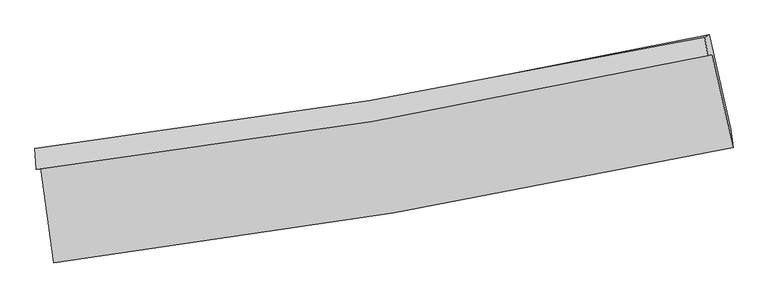
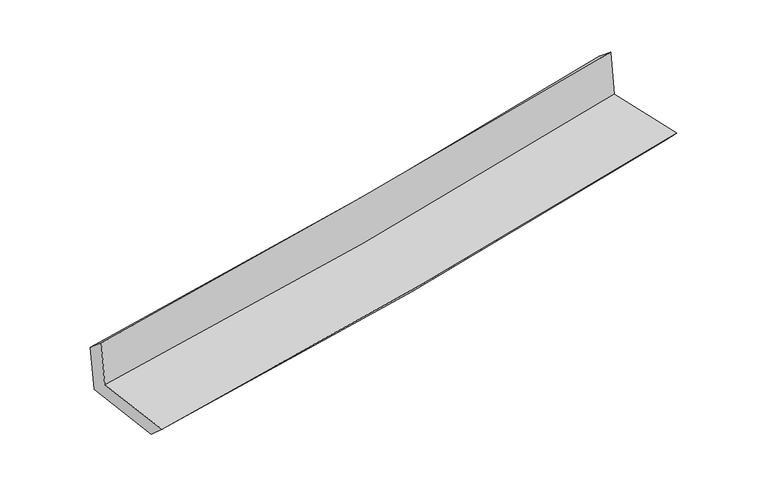
"""IFC4 building model written with IfcOpenShell, lengths in millimetres: proxy geometry."""

from ifc_helpers import new_model, si_unit, frame, origin, place, context, project, spatial, source, transform, mapped, element, save
from ifc_brep_helpers import plane_surface, spline_curve, spline_surface, advanced_brep


def generic_models_481b166b(model_context):
    return source(origin(), model_context, "Body", "AdvancedBrep", [
        advanced_brep(
        [(-2381.0771553, -1877.0789189, 1681.8300625), (-2291.2685429, -2542.4868127, 1663.9978355), (2467.8138655, -1730.5734521, 2112.4529283), (2322.4803052, -1080.0114496, 2115.1810525), (-2413.9461802, -1886.0428512, 2068.4038599), (2289.6195544, -1088.9731254, 2501.6575378), (-2422.2513044, -1739.3060334, 1941.8092456), (2270.0469304, -957.086418, 2392.5577009), (-2388.8622772, -1739.4132381, 1562.9866455), (2301.6660973, -941.6274164, 2003.7813704), (-2298.4175277, -2402.1239466, 1533.8742157), (2451.0413828, -1601.785213, 1979.9697914)],
        [
            (0, 1),
            (1, 2, spline_curve(3, [(-2291.2685429, -2542.4868127, 1663.9978355), (-1494.878836744, -2442.847946183, 1746.470558045), (-701.373620523, -2325.646295002, 1824.969649508), (885.024935161, -2055.238374446, 1974.506688394), (1677.880521705, -1901.80223865, 2045.492627914), (2467.8138655, -1730.5734521, 2112.4529283)], [4, 2, 4], [0.0, 7.88289728333393, 15.81721355547456])),
            (2, 3),
            (3, 0, spline_curve(3, [(2322.4803052, -1080.0114496, 2115.1810525), (1542.260650982, -1253.322465482, 2047.308875427), (758.903331536, -1406.551117157, 1977.135351704), (-808.989691142, -1671.980825985, 1832.655290052), (-1593.484858946, -1784.441330901, 1758.378483983), (-2381.0771553, -1877.0789189, 1681.8300625)], [4, 2, 4], [0.0, 7.934316272140629, 15.81721355547456])),
            (4, 0),
            (3, 5),
            (5, 4, spline_curve(3, [(2289.6195544, -1088.9731254, 2501.6575378), (1507.96549868, -1262.675326546, 2450.655407079), (723.892616245, -1416.09912398, 2388.89764776), (-843.993877675, -1681.527052748, 2244.34080141), (-1627.776240262, -1793.793163734, 2161.680668102), (-2413.9461802, -1886.0428512, 2068.4038599)], [4, 2, 4], [0.0, 7.886882874234125, 15.722654155695736])),
            (6, 4),
            (5, 7),
            (7, 6, spline_curve(3, [(2270.0469304, -957.086418, 2392.5577009), (1490.94122132, -1123.476086617, 2317.97429258), (709.083443119, -1272.009935609, 2242.996831714), (-855.051522908, -1532.519125277, 2092.742255577), (-1637.293156321, -1644.725147995, 2017.470231642), (-2422.2513044, -1739.3060334, 1941.8092456)], [4, 2, 4], [0.0, 7.876666632260544, 15.702287878944464])),
            (8, 6),
            (7, 9),
            (9, 8, spline_curve(3, [(2301.6660973, -941.6274164, 2003.7813704), (1524.612157141, -1115.768646395, 1924.100608365), (743.925377178, -1269.471308079, 1847.417635087), (-819.631014212, -1535.135866208, 1700.524789207), (-1602.45369246, -1647.361811655, 1630.276187307), (-2388.8622772, -1739.4132381, 1562.9866455)], [4, 2, 4], [0.0, 7.8666446575126905, 15.682308877679922])),
            (10, 8),
            (9, 11),
            (11, 10, spline_curve(3, [(2451.0413828, -1601.785213, 1979.9697914), (1663.042200985, -1767.537396322, 1899.652056439), (871.957732145, -1917.273298478, 1822.207018019), (-711.235097161, -2183.845959327, 1673.545605575), (-1503.303598639, -2300.889634952, 1602.292118928), (-2298.4175277, -2402.1239466, 1533.8742157)], [4, 2, 4], [0.0, 7.914734595676745, 15.77817710321074])),
            (1, 10),
            (11, 2),
        ],
        [
            spline_surface(3, 3, [[(-2381.0771553, -1877.0789189, 1681.8300625), (-1593.484858825, -1784.441330946, 1758.37848389), (-808.989691218, -1671.980826088, 1832.655290146), (758.903331613, -1406.551117052, 1977.135351609), (1542.260650874, -1253.322465497, 2047.308875387), (2322.4803052, -1080.0114496, 2115.1810525)], [(-2351.140951162, -2098.881550175, 1675.885986836), (-1560.61618479, -2003.910202727, 1754.409175308), (-773.117667679, -1889.869315761, 1830.09340994), (800.943866119, -1622.780202847, 1976.259130522), (1587.467274536, -1469.482389918, 2046.703459568), (2370.924825314, -1296.865450429, 2114.271677769)], [(-2321.204747038, -2320.684181425, 1669.941911164), (-1527.74751077, -2223.379074484, 1750.439866719), (-737.245644087, -2107.757805386, 1827.531529748), (842.98440068, -1839.009288594, 1975.382909448), (1632.673898156, -1685.642314353, 2046.098043743), (2419.369345386, -1513.719451271, 2113.362303031)], [(-2291.2685429, -2542.4868127, 1663.9978355), (-1494.878836735, -2442.847946265, 1746.470558137), (-701.373620548, -2325.646295059, 1824.969649542), (885.024935187, -2055.238374389, 1974.506688361), (1677.880521818, -1901.802238774, 2045.492627924), (2467.8138655, -1730.5734521, 2112.4529283)]], [4, 4], [4, 2, 4], [0.0, 2.1705886311231533], [0.0, 7.88289728333393, 15.81721355547456]),
            spline_surface(3, 3, [[(-2413.9461802, -1886.0428512, 2068.4038599), (-1627.776240239, -1793.793163633, 2161.680667976), (-843.993877753, -1681.527052632, 2244.340801399), (723.892616324, -1416.099124097, 2388.897647771), (1507.965498735, -1262.675326509, 2450.655407012), (2289.6195544, -1088.9731254, 2501.6575378)], [(-2402.989838563, -1883.054873768, 1939.54592743), (-1616.345779764, -1790.675886072, 2027.24660661), (-832.325815565, -1678.344977114, 2107.112297644), (735.562854763, -1412.916455078, 2251.643549047), (1519.397216115, -1259.557706169, 2316.206563132), (2300.573138001, -1085.985900131, 2372.832042695)], [(-2392.033496937, -1880.066896332, 1810.68799497), (-1604.9153193, -1787.558608507, 1892.812545255), (-820.657753406, -1675.162901607, 1969.8837939), (747.233093173, -1409.733786071, 2114.389450333), (1530.828933494, -1256.440085837, 2181.757719267), (2311.526721599, -1082.998674869, 2244.006547605)], [(-2381.0771553, -1877.0789189, 1681.8300625), (-1593.484858825, -1784.441330946, 1758.37848389), (-808.989691218, -1671.980826088, 1832.655290146), (758.903331613, -1406.551117052, 1977.135351609), (1542.260650874, -1253.322465497, 2047.308875387), (2322.4803052, -1080.0114496, 2115.1810525)]], [4, 4], [4, 2, 4], [0.0, 1.3560359742885961], [0.0, 7.835771281461611, 15.722654155695736]),
            spline_surface(3, 3, [[(-2422.2513044, -1739.3060334, 1941.8092456), (-1637.293156332, -1644.725147928, 2017.470231562), (-855.051522916, -1532.519125179, 2092.742255681), (709.083443127, -1272.009935709, 2242.996831608), (1490.941221303, -1123.476086607, 2317.974292598), (2270.0469304, -957.086418, 2392.5577009)], [(-2419.482929664, -1788.218306015, 1984.007450375), (-1634.120850965, -1694.414486511, 2065.540377042), (-851.365641195, -1582.18843432, 2143.275104244), (714.019834193, -1320.039665162, 2291.630436986), (1496.615980429, -1169.875833225, 2362.201330734), (2276.571138383, -1001.048653783, 2428.924313198)], [(-2416.714554936, -1837.130578585, 2026.205655125), (-1630.948545606, -1744.10382505, 2113.610522496), (-847.679759475, -1631.857743491, 2193.807952836), (718.956225258, -1368.069394643, 2340.264042393), (1502.290739608, -1216.275579892, 2406.428368876), (2283.095346417, -1045.010889617, 2465.290925502)], [(-2413.9461802, -1886.0428512, 2068.4038599), (-1627.776240239, -1793.793163633, 2161.680667976), (-843.993877753, -1681.527052632, 2244.340801399), (723.892616324, -1416.099124097, 2388.897647771), (1507.965498735, -1262.675326509, 2450.655407012), (2289.6195544, -1088.9731254, 2501.6575378)]], [4, 4], [4, 2, 4], [0.0, 0.6863170501779321], [0.0, 7.82562124668392, 15.702287878944464]),
            spline_surface(3, 3, [[(-2388.8622772, -1739.4132381, 1562.9866455), (-1602.453692524, -1647.361811655, 1630.27618738), (-819.631014229, -1535.135866124, 1700.524789137), (743.925377195, -1269.471308164, 1847.417635158), (1524.612157074, -1115.768646447, 1924.100608394), (2301.6660973, -941.6274164, 2003.7813704)], [(-2399.991952943, -1739.377503196, 1689.260845524), (-1614.066847136, -1646.482923742, 1759.340868765), (-831.437850461, -1534.263619146, 1831.263944662), (732.311399169, -1270.31751735, 1979.277367318), (1513.388511816, -1118.33779318, 2055.391836462), (2291.126374999, -946.780416946, 2133.373480567)], [(-2411.121628657, -1739.341768304, 1815.535045576), (-1625.680001719, -1645.604035842, 1888.405550177), (-843.244686684, -1533.391372156, 1962.003100157), (720.697421153, -1271.163726523, 2111.137099448), (1502.164866561, -1120.906939874, 2186.68306453), (2280.586652701, -951.933417454, 2262.965590733)], [(-2422.2513044, -1739.3060334, 1941.8092456), (-1637.293156332, -1644.725147928, 2017.470231562), (-855.051522916, -1532.519125179, 2092.742255681), (709.083443127, -1272.009935709, 2242.996831608), (1490.941221303, -1123.476086607, 2317.974292598), (2270.0469304, -957.086418, 2392.5577009)]], [4, 4], [4, 2, 4], [0.0, 1.2974819211111266], [0.0, 7.815664220167232, 15.682308877679922]),
            spline_surface(3, 3, [[(-2298.4175277, -2402.1239466, 1533.8742157), (-1503.30359858, -2300.889635071, 1602.292118957), (-711.235097255, -2183.845959343, 1673.545605586), (871.95773224, -1917.273298461, 1822.207018008), (1663.042201101, -1767.537396359, 1899.652056553), (2451.0413828, -1601.785213, 1979.9697914)], [(-2328.565777514, -2181.220377079, 1543.578358994), (-1536.353629876, -2083.047027245, 1611.620141792), (-747.367069579, -1967.609261601, 1682.538666766), (829.280280559, -1701.339301694, 1830.610557054), (1616.898853117, -1550.281146393, 1907.801573818), (2401.249620992, -1381.732614139, 1987.906984384)], [(-2358.714027386, -1960.316807621, 1553.282502206), (-1569.403661228, -1865.204419481, 1620.948164545), (-783.499041905, -1751.372563866, 1691.531727957), (786.602828875, -1485.405304932, 1839.014096112), (1570.755505058, -1333.024896412, 1915.95109113), (2351.457859108, -1161.680015261, 1995.844177416)], [(-2388.8622772, -1739.4132381, 1562.9866455), (-1602.453692524, -1647.361811655, 1630.27618738), (-819.631014229, -1535.135866124, 1700.524789137), (743.925377195, -1269.471308164, 1847.417635158), (1524.612157074, -1115.768646447, 1924.100608394), (2301.6660973, -941.6274164, 2003.7813704)]], [4, 4], [4, 2, 4], [0.0, 2.163620197847894], [0.0, 7.863442507533995, 15.77817710321074]),
            spline_surface(3, 3, [[(-2291.2685429, -2542.4868127, 1663.9978355), (-1494.878836735, -2442.847946265, 1746.470558137), (-701.373620548, -2325.646295059, 1824.969649542), (885.024935187, -2055.238374389, 1974.506688361), (1677.880521818, -1901.802238774, 2045.492627924), (2467.8138655, -1730.5734521, 2112.4529283)], [(-2293.651537854, -2495.699190668, 1620.623295541), (-1497.687090704, -2395.528509201, 1698.411078385), (-704.66077944, -2278.379516482, 1774.494968235), (880.669200881, -2009.250015741, 1923.740131588), (1672.934414891, -1857.047291308, 1996.879104154), (2462.223037912, -1687.644039072, 2068.291882687)], [(-2296.034532746, -2448.911568632, 1577.248755659), (-1500.495344611, -2348.209072135, 1650.35159871), (-707.947938363, -2231.11273792, 1724.020286893), (876.313466545, -1963.261657109, 1872.97357478), (1667.988308028, -1812.292343825, 1948.265580323), (2456.632210388, -1644.714626028, 2024.130837013)], [(-2298.4175277, -2402.1239466, 1533.8742157), (-1503.30359858, -2300.889635071, 1602.292118957), (-711.235097255, -2183.845959343, 1673.545605586), (871.95773224, -1917.273298461, 1822.207018008), (1663.042201101, -1767.537396359, 1899.652056553), (2451.0413828, -1601.785213, 1979.9697914)]], [4, 4], [4, 2, 4], [0.0, 0.6784135960099361], [0.0, 7.9205133960425185, 15.892691145306467]),
            plane_surface(frame((2350.4446893, -1233.3428457, 2184.2667302), z_axis=(0.9722618234182808, 0.21683256369177603, 0.08769598648861682), x_axis=(-0.08099872655045187, -0.039601278878759937, 0.9959271785669733))),
            plane_surface(frame((-2365.9704979, -2031.0753001, 1742.1503108), z_axis=(-0.987562733261822, -0.1309574689973868, -0.08700568479265128), x_axis=(-0.13370785094059537, 0.9906651165156856, 0.026548776164086657))),
        ],
        [
            (0, [[1, 2, 3, 4]]),
            (1, [[5, -4, 6, 7]]),
            (2, [[8, -7, 9, 10]]),
            (3, [[11, -10, 12, 13]]),
            (4, [[14, -13, 15, 16]]),
            (5, [[17, -16, 18, -2]]),
            (6, [[-12, -9, -6, -3, -18, -15]]),
            (7, [[-1, -5, -8, -11, -14, -17]]),
        ],
    ),
    ])


if __name__ == "__main__":
    model = new_model("IFC4")
    model_context = context("Model", 3, world=origin())
    ifc_project = project(units=[si_unit("LENGTHUNIT", "METRE", prefix="MILLI")], contexts=[model_context])
    site = spatial("IfcSite", under=ifc_project)
    building = spatial("IfcBuilding", under=site)
    placement = place(None, origin())
    generic_models_shape = generic_models_481b166b(model_context)
    element("IfcBuildingElementProxy", 1, Name="Generic Models", at=placement, inside=building, context=model_context, shape_type="MappedRepresentation", body=[
        mapped(generic_models_shape, transform((0.0, 0.0, 0.0), x_axis=(1.0, 0.0, 0.0), y_axis=(0.0, 1.0, 0.0), z_axis=(0.0, 0.0, 1.0))),
    ])
    save(model, "model.ifc")
